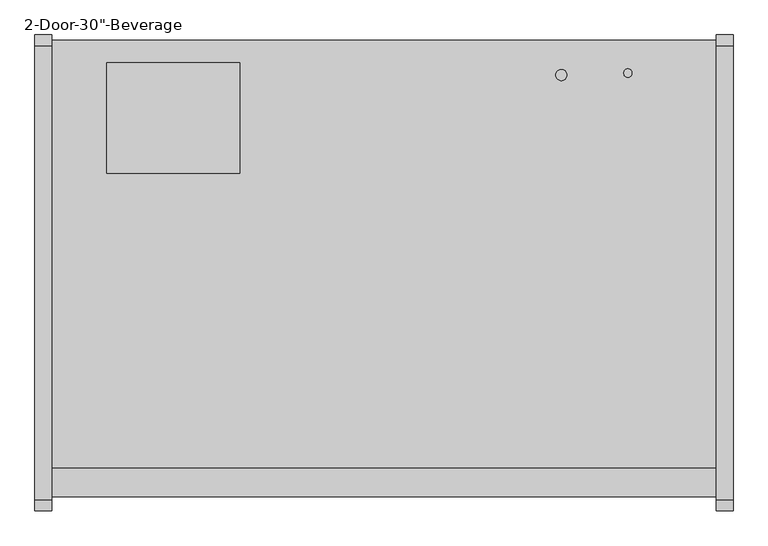
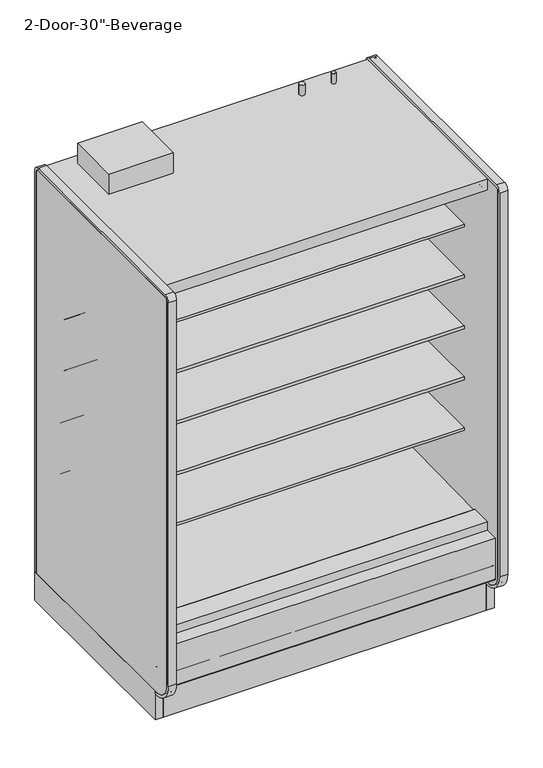
"""IFC4 building model written with IfcOpenShell, lengths in millimetres: proxy geometry."""

from ifc_helpers import new_model, si_unit, point, frame, frame_2d, origin, origin_with_axes, place, context, project, spatial, polyline, circle_curve, trimmed, segment, composite_curve, outline, extrude, source, transform, mapped, element, save
from ifc_brep_helpers import plane_surface, cylinder_surface, revolved_surface, advanced_brep


def proxy_6d0cffc8(model_context):
    return source(origin(), model_context, "Body", "SolidModel", [
        extrude(outline(polyline([(-1318.106026, 207.2507391), (-1305.4059832, 196.5941379), (-1305.4059832, 0.4239338), (-1318.106026, 0.4239338), (-1318.106026, 207.2507391)])), frame((0.0, 0.0, 0.0), z_axis=(1.0, 0.0, 0.0), x_axis=(0.0, 1.0, 0.0)), (0.0, 0.0, 1.0), 1524.0),
        extrude(outline(polyline([(0.0, -76.2), (0.0, 0.0), (304.8, 0.0), (304.8, -76.2), (0.0, -76.2)])), frame((304.8, -1257.8018226, 2069.9402149), z_axis=(0.0, 0.07985742909739812, 0.9968062956351922), x_axis=(-1.0, 0.0, 0.0)), (0.0, 0.0, 1.0), 12.7),
        extrude(outline(composite_curve([segment(polyline([(-1139.652044, 788.1304004), (-1139.652044, 801.6241504), (-453.852044, 801.6241504), (-453.852044, 700.8188557), (-465.2157046, 700.5975577)]), True, "CONTINUOUS"), segment(trimmed(circle_curve(frame_2d((-465.7036503, 725.6535856)), 25.0607786), [point((-465.2157046, 700.5975577))], [point((-481.6109729, 706.2886764))], False, "CARTESIAN"), True, "CONTINUOUS"), segment(polyline([(-481.6109729, 706.2886764), (-519.8326735, 737.3719449)]), True, "CONTINUOUS"), segment(trimmed(circle_curve(frame_2d((-559.8971466, 688.1064601)), 63.5), [point((-519.8326735, 737.3719449))], [point((-553.0441372, 751.2355839))], True, "CARTESIAN"), True, "CONTINUOUS"), segment(polyline([(-553.0441372, 751.2355839), (-968.6518104, 783.846074), (-968.6518104, 788.1304004), (-1139.652044, 788.1304004)]), True, "CONTINUOUS")], self_intersect=False)), frame((0.0, 0.0, 0.0), z_axis=(1.0, 0.0, 0.0), x_axis=(0.0, 1.0, 0.0)), (0.0, 0.0, 1.0), 1524.0),
        extrude(outline(composite_curve([segment(polyline([(-1139.652044, 1042.1304004), (-1139.652044, 1055.6241504), (-453.852044, 1055.6241504), (-453.852044, 954.8188557), (-465.2157046, 954.5975577)]), True, "CONTINUOUS"), segment(trimmed(circle_curve(frame_2d((-465.7036503, 979.6535856)), 25.0607786), [point((-465.2157046, 954.5975577))], [point((-481.6109729, 960.2886764))], False, "CARTESIAN"), True, "CONTINUOUS"), segment(polyline([(-481.6109729, 960.2886764), (-519.8326735, 991.3719449)]), True, "CONTINUOUS"), segment(trimmed(circle_curve(frame_2d((-559.8971466, 942.1064601)), 63.5), [point((-519.8326735, 991.3719449))], [point((-553.0441372, 1005.2355839))], True, "CARTESIAN"), True, "CONTINUOUS"), segment(polyline([(-553.0441372, 1005.2355839), (-968.6518104, 1037.846074), (-968.6518104, 1042.1304004), (-1139.652044, 1042.1304004)]), True, "CONTINUOUS")], self_intersect=False)), frame((0.0, 0.0, 0.0), z_axis=(1.0, 0.0, 0.0), x_axis=(0.0, 1.0, 0.0)), (0.0, 0.0, 1.0), 1524.0),
        extrude(outline(composite_curve([segment(polyline([(-1139.652044, 1296.1304004), (-1139.652044, 1309.6241504), (-453.852044, 1309.6241504), (-453.852044, 1208.8188557), (-465.2157046, 1208.5975577)]), True, "CONTINUOUS"), segment(trimmed(circle_curve(frame_2d((-465.7036503, 1233.6535856)), 25.0607786), [point((-465.2157046, 1208.5975577))], [point((-481.6109729, 1214.2886764))], False, "CARTESIAN"), True, "CONTINUOUS"), segment(polyline([(-481.6109729, 1214.2886764), (-519.8326735, 1245.3719449)]), True, "CONTINUOUS"), segment(trimmed(circle_curve(frame_2d((-559.8971466, 1196.1064601)), 63.5), [point((-519.8326735, 1245.3719449))], [point((-553.0441372, 1259.2355839))], True, "CARTESIAN"), True, "CONTINUOUS"), segment(polyline([(-553.0441372, 1259.2355839), (-968.6518104, 1291.846074), (-968.6518104, 1296.1304004), (-1139.652044, 1296.1304004)]), True, "CONTINUOUS")], self_intersect=False)), frame((0.0, 0.0, 0.0), z_axis=(1.0, 0.0, 0.0), x_axis=(0.0, 1.0, 0.0)), (0.0, 0.0, 1.0), 1524.0),
        extrude(outline(composite_curve([segment(polyline([(-1139.652044, 1550.1304004), (-1139.652044, 1563.6241504), (-453.852044, 1563.6241504), (-453.852044, 1462.8188557), (-465.2157046, 1462.5975577)]), True, "CONTINUOUS"), segment(trimmed(circle_curve(frame_2d((-465.7036503, 1487.6535856)), 25.0607786), [point((-465.2157046, 1462.5975577))], [point((-481.6109729, 1468.2886764))], False, "CARTESIAN"), True, "CONTINUOUS"), segment(polyline([(-481.6109729, 1468.2886764), (-519.8326735, 1499.3719449)]), True, "CONTINUOUS"), segment(trimmed(circle_curve(frame_2d((-559.8971466, 1450.1064601)), 63.5), [point((-519.8326735, 1499.3719449))], [point((-553.0441372, 1513.2355839))], True, "CARTESIAN"), True, "CONTINUOUS"), segment(polyline([(-553.0441372, 1513.2355839), (-968.6518104, 1545.846074), (-968.6518104, 1550.1304004), (-1139.652044, 1550.1304004)]), True, "CONTINUOUS")], self_intersect=False)), frame((0.0, 0.0, 0.0), z_axis=(1.0, 0.0, 0.0), x_axis=(0.0, 1.0, 0.0)), (0.0, 0.0, 1.0), 1524.0),
        extrude(outline(composite_curve([segment(polyline([(-1179.8089716, 2076.7249354), (-1179.8089716, 2078.925392), (-1258.0451873, 2084.3962012), (-1258.0451873, 2075.9223079)]), True, "CONTINUOUS"), segment(trimmed(circle_curve(frame_2d((-1260.5851873, 2075.9223079)), 2.54), [point((-1258.0451873, 2075.9223079))], [point((-1260.5851873, 2073.3823079))], False, "CARTESIAN"), True, "CONTINUOUS"), segment(polyline([(-1260.5851873, 2073.3823079), (-1269.8053873, 2073.3823079)]), True, "CONTINUOUS"), segment(trimmed(circle_curve(frame_2d((-1269.8053873, 2075.9223079)), 2.54), [point((-1269.8053873, 2073.3823079))], [point((-1272.3453873, 2075.9223079))], False, "CARTESIAN"), True, "CONTINUOUS"), segment(polyline([(-1272.3453873, 2075.9223079), (-1272.3453873, 2092.9469554)]), True, "CONTINUOUS"), segment(trimmed(circle_curve(frame_2d((-1274.8853873, 2092.9469554)), 2.54), [point((-1272.3453873, 2092.9469554))], [point((-1274.8853873, 2095.4869554))], True, "CARTESIAN"), True, "CONTINUOUS"), segment(polyline([(-1274.8853873, 2095.4869554), (-1288.8553873, 2095.4869554)]), True, "CONTINUOUS"), segment(trimmed(circle_curve(frame_2d((-1288.8553873, 2098.0269554)), 2.54), [point((-1288.8553873, 2095.4869554))], [point((-1291.3953873, 2098.0269554))], False, "CARTESIAN"), True, "CONTINUOUS"), segment(polyline([(-1291.3953873, 2098.0269554), (-1291.3953873, 2102.7701079), (-402.3474764, 2102.7701079), (-402.3474764, 418.2554484), (-453.852044, 418.2554484), (-453.852044, 2076.7249354), (-1179.8089716, 2076.7249354)]), True, "CONTINUOUS")], self_intersect=False)), frame((0.0, 0.0, 0.0), z_axis=(1.0, 0.0, 0.0), x_axis=(0.0, 1.0, 0.0)), (0.0, 0.0, 1.0), 1524.0),
        advanced_brep(
        [(1524.0, -1318.106026, 204.9450868), (1524.0, -1318.106026, 0.0), (1524.0, -1156.1809832, 0.0), (1524.0, -1156.1809832, 130.5306), (1524.0, -1226.6745247, 130.5306), (1524.0, -1377.1737273, 256.8144254), (1524.0, -1377.1737273, 391.9982), (1524.0, -1326.8776974, 391.9982), (1524.0, -1326.8776974, 404.6728), (1524.0, -1393.9631273, 404.6728), (1524.0, -1393.9631273, 201.3982889), (1524.0, -1384.4389382, 195.8985595), (1524.0, -1339.6997646, 221.7199387), (0.0, -1318.106026, 204.9450868), (0.0, -1339.6997646, 221.7199387), (0.0, -1384.4389382, 195.8985595), (0.0, -1393.9631273, 201.3982889), (0.0, -1393.9631273, 404.6728), (0.0, -1326.8776974, 404.6728), (0.0, -1326.8776974, 391.9982), (0.0, -1377.1737273, 391.9982), (0.0, -1377.1737273, 256.8144254), (0.0, -1226.6745247, 130.5306), (0.0, -1156.1809832, 130.5306), (0.0, -1156.1809832, 0.0), (0.0, -1318.106026, 0.0), (677.9753763, -1301.1164467, 0.0), (677.9753763, -1203.5310315, 0.0), (363.1798722, -1203.5310315, 0.0), (363.1798722, -1301.1164467, 0.0), (677.9753763, -1301.1164467, 50.8), (677.9753763, -1203.5310315, 50.8), (363.1798722, -1203.5310315, 50.8), (363.1798722, -1301.1164467, 50.8)],
        [
            (0, 1),
            (1, 2),
            (2, 3),
            (3, 4),
            (4, 5),
            (5, 6),
            (6, 7),
            (7, 8),
            (8, 9),
            (9, 10),
            (10, 11, circle_curve(frame((1524.0, -1387.6131273, 201.3982889), z_axis=(1.0, 0.0, 0.0), x_axis=(0.0, 1.0, 0.0)), 6.35)),
            (11, 12),
            (12, 0),
            (13, 14),
            (14, 15),
            (15, 16, circle_curve(frame((0.0, -1387.6131273, 201.3982889), z_axis=(-1.0, 0.0, 0.0), x_axis=(0.0, 1.0, 0.0)), 6.35)),
            (16, 17),
            (17, 18),
            (18, 19),
            (19, 20),
            (20, 21),
            (21, 22),
            (22, 23),
            (23, 24),
            (24, 25),
            (25, 13),
            (0, 13),
            (25, 1),
            (24, 2),
            (26, 27),
            (27, 28),
            (28, 29),
            (29, 26),
            (23, 3),
            (22, 4),
            (21, 5),
            (20, 6),
            (19, 7),
            (18, 8),
            (17, 9),
            (16, 10),
            (15, 11),
            (14, 12),
            (26, 30),
            (30, 31),
            (31, 27),
            (28, 32),
            (32, 33),
            (33, 29),
            (31, 32),
            (30, 33),
        ],
        [
            plane_surface(frame((1524.0, -1318.106026, 0.0), z_axis=(1.0, 0.0, 0.0), x_axis=(0.0, 0.0, -1.0))),
            plane_surface(frame((0.0, -1318.106026, 0.0), z_axis=(-1.0, 0.0, 0.0), x_axis=(0.0, 0.0, 1.0))),
            plane_surface(frame((1524.0, -1318.106026, 204.9450868), z_axis=(0.0, -1.0, 0.0), x_axis=(-1.0, 0.0, 0.0))),
            plane_surface(frame((1524.0, -1318.106026, 0.0), z_axis=(0.0, 0.0, -1.0), x_axis=(-1.0, 0.0, 0.0))),
            plane_surface(frame((1524.0, -1156.1809832, 0.0), z_axis=(0.0, 1.0, 0.0), x_axis=(-1.0, 0.0, 0.0))),
            plane_surface(frame((1524.0, -1156.1809832, 130.5306), z_axis=(0.0, 0.0, 1.0), x_axis=(-1.0, 0.0, 0.0))),
            plane_surface(frame((1524.0, -1226.6745247, 130.5306), z_axis=(0.0, 0.6427876096877188, 0.7660444431179884), x_axis=(-1.0, 0.0, 0.0))),
            plane_surface(frame((1524.0, -1377.1737273, 256.8144254), z_axis=(0.0, 1.0, 0.0), x_axis=(-1.0, 0.0, 0.0))),
            plane_surface(frame((1524.0, -1377.1737273, 391.9982), z_axis=(0.0, 0.0, -1.0), x_axis=(-1.0, 0.0, 0.0))),
            plane_surface(frame((1524.0, -1326.8776974, 391.9982), z_axis=(0.0, 1.0, 0.0), x_axis=(-1.0, 0.0, 0.0))),
            plane_surface(frame((1524.0, -1326.8776974, 404.6728), z_axis=(0.0, 0.0, 1.0), x_axis=(-1.0, 0.0, 0.0))),
            plane_surface(frame((1524.0, -1393.9631273, 404.6728), z_axis=(0.0, -1.0, 0.0), x_axis=(-1.0, 0.0, 0.0))),
            cylinder_surface(frame((0.0, -1387.6131273, 201.3982889), z_axis=(1.0, 0.0, 0.0), x_axis=(0.0, 1.0, 0.0)), 6.35),
            plane_surface(frame((1524.0, -1384.4389382, 195.8985595), z_axis=(0.0, 0.4998723022013517, -0.8660991175910068), x_axis=(-1.0, 0.0, 0.0))),
            plane_surface(frame((1524.0, -1339.6997646, 221.7199387), z_axis=(0.0, -0.6134784338805639, -0.7897114733644501), x_axis=(-1.0, 0.0, 0.0))),
            plane_surface(frame((677.9753763, -1207.3278954, 0.0), z_axis=(-1.0, 0.0, 0.0), x_axis=(0.0, 1.0, 0.0))),
            plane_surface(frame((363.1798722, -1207.3278954, 0.0), z_axis=(1.0, 0.0, 0.0), x_axis=(0.0, -1.0, 0.0))),
            plane_surface(frame((677.9753763, -1203.5310315, 0.0), z_axis=(0.0, -1.0, 0.0), x_axis=(-1.0, 0.0, 0.0))),
            plane_surface(frame((677.9753763, -1203.5310315, 50.8), z_axis=(0.0, 0.0, -1.0), x_axis=(-1.0, 0.0, 0.0))),
            plane_surface(frame((677.9753763, -1301.1164467, 50.8), z_axis=(0.0, 1.0, 0.0), x_axis=(-1.0, 0.0, 0.0))),
        ],
        [
            (0, [[1, 2, 3, 4, 5, 6, 7, 8, 9, 10, 11, 12, 13]]),
            (1, [[14, 15, 16, 17, 18, 19, 20, 21, 22, 23, 24, 25, 26]]),
            (2, [[-1, 27, -26, 28]]),
            (3, [[-2, -28, -25, 29], [30, 31, 32, 33]]),
            (4, [[-3, -29, -24, 34]]),
            (5, [[-4, -34, -23, 35]]),
            (6, [[-5, -35, -22, 36]]),
            (7, [[-6, -36, -21, 37]]),
            (8, [[-7, -37, -20, 38]]),
            (9, [[-8, -38, -19, 39]]),
            (10, [[-9, -39, -18, 40]]),
            (11, [[-10, -40, -17, 41]]),
            (12, [[-11, -41, -16, 42]]),
            (13, [[-12, -42, -15, 43]]),
            (14, [[-13, -43, -14, -27]]),
            (15, [[44, 45, 46, -30]]),
            (16, [[47, 48, 49, -32]]),
            (17, [[-46, 50, -47, -31]]),
            (18, [[-45, 51, -48, -50]]),
            (19, [[-44, -33, -49, -51]]),
        ],
    ),
        extrude(outline(composite_curve([segment(trimmed(circle_curve(frame_2d((354.0125, 1447.8)), 12.7), [point((341.3125, 1447.8))], [point((366.7125, 1447.8))], False, "CARTESIAN"), True, "CONTINUOUS"), segment(trimmed(circle_curve(frame_2d((354.0125, 1447.8)), 12.7), [point((366.7125, 1447.8))], [point((341.3125, 1447.8))], False, "CARTESIAN"), True, "CONTINUOUS")], self_intersect=False)), frame((0.0, -399.8071273, 0.0), z_axis=(0.0, 1.0, 0.0), x_axis=(0.0, 0.0, 1.0)), (0.0, 0.0, 1.0), 50.8),
        extrude(outline(composite_curve([segment(trimmed(circle_curve(frame_2d((354.0125, 1397.0)), 9.525), [point((344.4875, 1397.0))], [point((363.5375, 1397.0))], False, "CARTESIAN"), True, "CONTINUOUS"), segment(trimmed(circle_curve(frame_2d((354.0125, 1397.0)), 9.525), [point((363.5375, 1397.0))], [point((344.4875, 1397.0))], False, "CARTESIAN"), True, "CONTINUOUS")], self_intersect=False)), frame((0.0, -399.8071273, 0.0), z_axis=(0.0, 1.0, 0.0), x_axis=(0.0, 0.0, 1.0)), (0.0, 0.0, 1.0), 50.8),
        advanced_brep(
        [(1524.0, -349.0071273, 130.5306), (1524.0, -349.0071273, 2159.0692079), (1524.0, -1328.759197, 2159.0692079), (1524.0, -1328.759197, 2102.7701079), (1524.0, -402.3474764, 2102.7701079), (1524.0, -402.3474764, 358.6596808), (1524.0, -549.3331942, 211.7249958), (1524.0, -991.2928374, 196.2548056), (1524.0, -1033.515372, 165.5831237), (1524.0, -1035.4689267, 165.5149041), (1524.0, -1048.6488905, 157.9054484), (1524.0, -1108.9738905, 157.9054484), (1524.0, -1117.2097949, 162.6604501), (1524.0, -1119.3438463, 162.5859274), (1524.0, -1169.010644, 190.034038), (1524.0, -1325.2901974, 342.4428), (1524.0, -1325.2901974, 391.9982), (1524.0, -1377.1737273, 391.9982), (1524.0, -1377.1737273, 256.8144254), (1524.0, -1226.6745247, 130.5306), (0.0, -349.0071273, 130.5306), (0.0, -1226.6745247, 130.5306), (0.0, -1377.1737273, 256.8144254), (0.0, -1377.1737273, 391.9982), (0.0, -1325.2901974, 391.9982), (0.0, -1325.2901974, 342.4428), (0.0, -1169.010644, 190.034038), (0.0, -1119.3438463, 162.5859274), (0.0, -1117.2097949, 162.6604501), (0.0, -1108.9738905, 157.9054484), (0.0, -1048.6488905, 157.9054484), (0.0, -1035.4689267, 165.5149041), (0.0, -1033.515372, 165.5831237), (0.0, -991.2928374, 196.2548056), (0.0, -549.3331942, 211.7249958), (0.0, -402.3474764, 358.6596808), (0.0, -402.3474764, 2102.7701079), (0.0, -1328.759197, 2102.7701079), (0.0, -1328.759197, 2159.0692079), (0.0, -349.0071273, 2159.0692079), (1422.4, -349.0071273, 303.2125), (1422.4, -349.0071273, 404.8125), (1422.4, -399.8071273, 404.8125), (1422.4, -399.8071273, 303.2125)],
        [
            (0, 1),
            (1, 2),
            (2, 3),
            (3, 4),
            (4, 5),
            (5, 6, circle_curve(frame((1524.0, -554.6779329, 364.0573175), z_axis=(-1.0, 0.0, 0.0), x_axis=(0.0, 1.0, 0.0)), 152.4260557)),
            (6, 7),
            (7, 8),
            (8, 9),
            (9, 10),
            (10, 11),
            (11, 12),
            (12, 13),
            (13, 14),
            (14, 15, circle_curve(frame((1524.0, -1174.2931139, 340.9461144), z_axis=(-1.0, 0.0, 0.0), x_axis=(0.0, 1.0, 0.0)), 151.0045009)),
            (15, 16),
            (16, 17),
            (17, 18),
            (18, 19),
            (19, 0),
            (20, 21),
            (21, 22),
            (22, 23),
            (23, 24),
            (24, 25),
            (25, 26, circle_curve(frame((0.0, -1174.2931139, 340.9461144), z_axis=(1.0, 0.0, 0.0), x_axis=(0.0, 1.0, 0.0)), 151.0045009)),
            (26, 27),
            (27, 28),
            (28, 29),
            (29, 30),
            (30, 31),
            (31, 32),
            (32, 33),
            (33, 34),
            (34, 35, circle_curve(frame((0.0, -554.6779329, 364.0573175), z_axis=(1.0, 0.0, 0.0), x_axis=(0.0, 1.0, 0.0)), 152.4260557)),
            (35, 36),
            (36, 37),
            (37, 38),
            (38, 39),
            (39, 20),
            (0, 20),
            (39, 1),
            (40, 41, circle_curve(frame((1422.4, -349.0071273, 354.0125), z_axis=(0.0, -1.0, 0.0), x_axis=(0.0, 0.0, -1.0)), 50.8)),
            (41, 40, circle_curve(frame((1422.4, -349.0071273, 354.0125), z_axis=(0.0, -1.0, 0.0), x_axis=(0.0, 0.0, -1.0)), 50.8)),
            (38, 2),
            (37, 3),
            (36, 4),
            (6, 34),
            (33, 7),
            (32, 8),
            (31, 9),
            (30, 10),
            (29, 11),
            (28, 12),
            (27, 13),
            (26, 14),
            (25, 15),
            (24, 16),
            (23, 17),
            (22, 18),
            (21, 19),
            (35, 5),
            (42, 43, circle_curve(frame((1422.4, -399.8071273, 354.0125), z_axis=(0.0, 1.0, 0.0), x_axis=(0.0, 0.0, -1.0)), 50.8)),
            (43, 42, circle_curve(frame((1422.4, -399.8071273, 354.0125), z_axis=(0.0, 1.0, 0.0), x_axis=(0.0, 0.0, -1.0)), 50.8)),
            (42, 41),
            (40, 43),
        ],
        [
            plane_surface(frame((1524.0, -349.0071273, 2154.3067079), z_axis=(1.0, 0.0, 0.0), x_axis=(0.0, 0.0, 1.0))),
            plane_surface(frame((0.0, -349.0071273, 2154.3067079), z_axis=(-1.0, 0.0, 0.0), x_axis=(0.0, 0.0, -1.0))),
            plane_surface(frame((1524.0, -349.0071273, 130.5306), z_axis=(0.0, 1.0, 0.0), x_axis=(-1.0, 0.0, 0.0))),
            plane_surface(frame((1524.0, -349.0071273, 2159.0692079), z_axis=(0.0, 0.0, 1.0), x_axis=(-1.0, 0.0, 0.0))),
            plane_surface(frame((1524.0, -1328.759197, 2159.0692079), z_axis=(0.0, -1.0, 0.0), x_axis=(-1.0, 0.0, 0.0))),
            plane_surface(frame((1524.0, -1328.759197, 2102.7701079), z_axis=(0.0, 0.0, -1.0), x_axis=(-1.0, 0.0, 0.0))),
            plane_surface(frame((1524.0, -549.3331942, 211.7249958), z_axis=(0.0, -0.03498220179415916, 0.9993879354673203), x_axis=(-1.0, 0.0, 0.0))),
            plane_surface(frame((1524.0, -991.2928374, 196.2548056), z_axis=(0.0, -0.5877252382161511, 0.8090605937528836), x_axis=(-1.0, 0.0, 0.0))),
            plane_surface(frame((1524.0, -1033.515372, 165.5831237), z_axis=(0.0, -0.034899496717989933, 0.9993908270185549), x_axis=(-1.0, 0.0, 0.0))),
            plane_surface(frame((1524.0, -1035.4689267, 165.5149041), z_axis=(0.0, -0.5000000000128472, 0.8660254037770214), x_axis=(-1.0, 0.0, 0.0))),
            plane_surface(frame((1524.0, -1048.6488905, 157.9054484), z_axis=(0.0, 0.0, 1.0), x_axis=(-1.0, 0.0, 0.0))),
            plane_surface(frame((1524.0, -1108.9738905, 157.9054484), z_axis=(0.0, 0.49999999998692984, 0.8660254037919848), x_axis=(-1.0, 0.0, 0.0))),
            plane_surface(frame((1524.0, -1117.2097949, 162.6604501), z_axis=(0.0, -0.03489949671806632, 0.9993908270185522), x_axis=(-1.0, 0.0, 0.0))),
            plane_surface(frame((1524.0, -1119.3438463, 162.5859274), z_axis=(0.0, 0.483695152932422, 0.8752365389023021), x_axis=(-1.0, 0.0, 0.0))),
            revolved_surface(polyline([(0.0, -1023.2886129999999, 340.9461144), (1524.0, -1023.2886129999999, 340.9461144)]), (0.0, -1174.2931139, 340.9461144), (-1.0, 0.0, 0.0)),
            plane_surface(frame((1524.0, -1325.2901974, 342.4428), z_axis=(0.0, 1.0, 0.0), x_axis=(-1.0, 0.0, 0.0))),
            plane_surface(frame((1524.0, -1325.2901974, 391.9982), z_axis=(0.0, 0.0, 1.0), x_axis=(-1.0, 0.0, 0.0))),
            plane_surface(frame((1524.0, -1377.1737273, 391.9982), z_axis=(0.0, -1.0, 0.0), x_axis=(-1.0, 0.0, 0.0))),
            plane_surface(frame((1524.0, -1377.1737273, 256.8144254), z_axis=(0.0, -0.6427876096877191, -0.7660444431179881), x_axis=(-1.0, 0.0, 0.0))),
            plane_surface(frame((1524.0, -1226.6745247, 130.5306), z_axis=(0.0, 0.0, -1.0), x_axis=(-1.0, 0.0, 0.0))),
            plane_surface(frame((1524.0, -402.3474764, 2102.7701079), z_axis=(0.0, -1.0, 0.0), x_axis=(-1.0, 0.0, 0.0))),
            revolved_surface(polyline([(0.0, -402.25187719999997, 364.0573175), (1524.0, -402.25187719999997, 364.0573175)]), (0.0, -554.6779329, 364.0573175), (-1.0, 0.0, 0.0)),
            plane_surface(frame((1422.4, -399.8071273, 303.2125), z_axis=(0.0, 1.0, 0.0), x_axis=(1.0, 0.0, 0.0))),
            revolved_surface(polyline([(1422.4, -349.0071273, 303.2125), (1422.4, -399.8071273, 303.2125)]), (1422.4, -399.8071273, 354.0125), (0.0, 1.0, 0.0)),
        ],
        [
            (0, [[1, 2, 3, 4, 5, 6, 7, 8, 9, 10, 11, 12, 13, 14, 15, 16, 17, 18, 19, 20]]),
            (1, [[21, 22, 23, 24, 25, 26, 27, 28, 29, 30, 31, 32, 33, 34, 35, 36, 37, 38, 39, 40]]),
            (2, [[-1, 41, -40, 42], [43, 44]]),
            (3, [[-2, -42, -39, 45]]),
            (4, [[-3, -45, -38, 46]]),
            (5, [[-4, -46, -37, 47]]),
            (6, [[-7, 48, -34, 49]]),
            (7, [[-8, -49, -33, 50]]),
            (8, [[-9, -50, -32, 51]]),
            (9, [[-10, -51, -31, 52]]),
            (10, [[-11, -52, -30, 53]]),
            (11, [[-12, -53, -29, 54]]),
            (12, [[-13, -54, -28, 55]]),
            (13, [[-14, -55, -27, 56]]),
            (14, [[-15, -56, -26, 57]]),
            (15, [[-16, -57, -25, 58]]),
            (16, [[-17, -58, -24, 59]]),
            (17, [[-18, -59, -23, 60]]),
            (18, [[-19, -60, -22, 61]]),
            (19, [[-20, -61, -21, -41]]),
            (20, [[-5, -47, -36, 62]]),
            (21, [[-6, -62, -35, -48]]),
            (22, [[63, 64]]),
            (23, [[-63, 65, -43, 66]]),
            (23, [[-64, -66, -44, -65]]),
        ],
    ),
        advanced_brep(
        [(1524.0, -349.0071273, 0.0), (1524.0, -349.0071273, 130.5306), (1524.0, -1156.1809832, 130.5306), (1524.0, -1156.1809832, 0.0), (1524.0, -1108.6576273, 0.0), (1524.0, -1108.6576273, 74.8810382), (1524.0, -394.2191273, 74.8810382), (1524.0, -394.2191273, 0.0), (0.0, -349.0071273, 0.0), (0.0, -394.2191273, 0.0), (0.0, -394.2191273, 74.8810382), (0.0, -1108.6576273, 74.8810382), (0.0, -1108.6576273, 0.0), (0.0, -1156.1809832, 0.0), (0.0, -1156.1809832, 130.5306), (0.0, -349.0071273, 130.5306), (725.9092567, -1108.6576273, 74.8810382), (725.9092567, -1108.6576273, 127.0), (798.0907433, -1108.6576273, 127.0), (798.0907433, -1108.6576273, 74.8810382), (896.0570331, -1108.6576273, 74.8810382), (896.0570331, -1108.6576273, 127.0), (974.0179669, -1108.6576273, 127.0), (974.0179669, -1108.6576273, 74.8810382)],
        [
            (0, 1),
            (1, 2),
            (2, 3),
            (3, 4),
            (4, 5),
            (5, 6),
            (6, 7),
            (7, 0),
            (8, 9),
            (9, 10),
            (10, 11),
            (11, 12),
            (12, 13),
            (13, 14),
            (14, 15),
            (15, 8),
            (0, 8),
            (15, 1),
            (4, 12),
            (11, 16),
            (16, 17),
            (17, 18),
            (18, 19),
            (19, 20),
            (20, 21),
            (21, 22),
            (22, 23),
            (23, 5),
            (23, 20, circle_curve(frame((935.0375, -1076.0821273, 74.8810382), z_axis=(0.0, 0.0, 1.0), x_axis=(1.0, 0.0, 0.0)), 50.8)),
            (19, 16, circle_curve(frame((762.0, -1072.9071273, 74.8810382), z_axis=(0.0, 0.0, 1.0), x_axis=(1.0, 0.0, 0.0)), 50.8)),
            (10, 6),
            (9, 7),
            (17, 18, circle_curve(frame((762.0, -1072.9071273, 127.0), z_axis=(0.0, 0.0, -1.0), x_axis=(1.0, 0.0, 0.0)), 50.8)),
            (21, 22, circle_curve(frame((935.0375, -1076.0821273, 127.0), z_axis=(0.0, 0.0, -1.0), x_axis=(1.0, 0.0, 0.0)), 50.8)),
            (14, 2),
            (13, 3),
        ],
        [
            plane_surface(frame((1524.0, -349.0071273, 2438.4), z_axis=(1.0, 0.0, 0.0), x_axis=(0.0, 0.0, 1.0))),
            plane_surface(frame((0.0, -349.0071273, 2438.4), z_axis=(-1.0, 0.0, 0.0), x_axis=(0.0, 0.0, -1.0))),
            plane_surface(frame((1524.0, -349.0071273, 0.0), z_axis=(0.0, 1.0, 0.0), x_axis=(-1.0, 0.0, 0.0))),
            plane_surface(frame((1524.0, -1108.6576273, 0.0), z_axis=(0.0, 1.0, 0.0), x_axis=(-1.0, 0.0, 0.0))),
            plane_surface(frame((1524.0, -1108.6576273, 74.8810382), z_axis=(0.0, 0.0, -1.0), x_axis=(-1.0, 0.0, 0.0))),
            plane_surface(frame((1524.0, -394.2191273, 74.8810382), z_axis=(0.0, -1.0, 0.0), x_axis=(-1.0, 0.0, 0.0))),
            plane_surface(frame((1524.0, -394.2191273, 0.0), z_axis=(0.0, 0.0, -1.0), x_axis=(-1.0, 0.0, 0.0))),
            plane_surface(frame((798.0907433, -1108.6576273, 127.0), z_axis=(0.0, 0.0, -1.0), x_axis=(1.0, 0.0, 0.0))),
            revolved_surface(polyline([(812.8, -1072.9071273, 127.0), (812.8, -1072.9071273, 74.8810382)]), (762.0, -1072.9071273, 0.0), (0.0, 0.0, 1.0)),
            plane_surface(frame((974.0179669, -1108.6576273, 127.0), z_axis=(0.0, 0.0, -1.0), x_axis=(1.0, 0.0, 0.0))),
            revolved_surface(polyline([(985.8375, -1076.0821273, 127.0), (985.8375, -1076.0821273, 74.8810382)]), (935.0375, -1076.0821273, 0.0), (0.0, 0.0, 1.0)),
            plane_surface(frame((1524.0, -349.0071273, 130.5306), z_axis=(0.0, 0.0, 1.0), x_axis=(-1.0, 0.0, 0.0))),
            plane_surface(frame((1524.0, -1156.1809832, 130.5306), z_axis=(0.0, -1.0, 0.0), x_axis=(-1.0, 0.0, 0.0))),
            plane_surface(frame((1524.0, -1156.1809832, 0.0), z_axis=(0.0, 0.0, -1.0), x_axis=(-1.0, 0.0, 0.0))),
        ],
        [
            (0, [[1, 2, 3, 4, 5, 6, 7, 8]]),
            (1, [[9, 10, 11, 12, 13, 14, 15, 16]]),
            (2, [[-1, 17, -16, 18]]),
            (3, [[-5, 19, -12, 20, 21, 22, 23, 24, 25, 26, 27, 28]]),
            (4, [[-6, -28, 29, -24, 30, -20, -11, 31]]),
            (5, [[-7, -31, -10, 32]]),
            (6, [[-8, -32, -9, -17]]),
            (7, [[33, -22]]),
            (8, [[-33, -21, -30, -23]]),
            (9, [[34, -26]]),
            (10, [[-34, -25, -29, -27]]),
            (11, [[-2, -18, -15, 35]]),
            (12, [[-3, -35, -14, 36]]),
            (13, [[-19, -4, -36, -13]]),
        ],
    ),
        extrude(outline(composite_curve([segment(polyline([(-1139.652044, 1803.3473276), (-1139.652044, 1816.8410776), (-453.852044, 1816.8410776), (-453.852044, 1716.035783), (-465.2157046, 1715.814485)]), True, "CONTINUOUS"), segment(trimmed(circle_curve(frame_2d((-465.7036503, 1740.8705128)), 25.0607786), [point((-465.2157046, 1715.814485))], [point((-481.6109729, 1721.5056036))], False, "CARTESIAN"), True, "CONTINUOUS"), segment(polyline([(-481.6109729, 1721.5056036), (-519.8326735, 1752.5888722)]), True, "CONTINUOUS"), segment(trimmed(circle_curve(frame_2d((-559.8971466, 1703.3233874)), 63.5), [point((-519.8326735, 1752.5888722))], [point((-553.0441372, 1766.4525111))], True, "CARTESIAN"), True, "CONTINUOUS"), segment(polyline([(-553.0441372, 1766.4525111), (-968.6518104, 1799.0630012), (-968.6518104, 1803.3473276), (-1139.652044, 1803.3473276)]), True, "CONTINUOUS")], self_intersect=False)), frame((0.0, 0.0, 0.0), z_axis=(1.0, 0.0, 0.0), x_axis=(0.0, 1.0, 0.0)), (0.0, 0.0, 1.0), 1524.0),
        extrude(outline(polyline([(431.8, -399.8071273), (431.8, -653.8071273), (127.0, -653.8071273), (127.0, -399.8071273), (431.8, -399.8071273)])), frame((0.0, 0.0, 2159.6880358), z_axis=(0.0, 0.0, 1.0), x_axis=(1.0, 0.0, 0.0)), (0.0, 0.0, 1.0), 100.8085772),
        extrude(outline(composite_curve([segment(polyline([(-453.852044, 452.2592331), (-453.852044, 418.2554484), (-402.3474764, 418.2554484), (-402.3474764, 358.6596808)]), True, "CONTINUOUS"), segment(trimmed(circle_curve(frame_2d((-554.6779329, 364.0573175)), 152.4260557), [point((-402.3474764, 358.6596808))], [point((-549.3331942, 211.7249958))], False, "CARTESIAN"), True, "CONTINUOUS"), segment(polyline([(-549.3331942, 211.7249958), (-991.2928374, 196.2548056), (-1033.515372, 165.5831237), (-1035.4689267, 165.5149041), (-1048.6488905, 157.9054484), (-1108.9738905, 157.9054484), (-1117.2097949, 162.6604501), (-1119.3438463, 162.5859274), (-1169.010644, 190.034038)]), True, "CONTINUOUS"), segment(trimmed(circle_curve(frame_2d((-1174.2931139, 340.9461144)), 151.0045009), [point((-1169.010644, 190.034038))], [point((-1325.2901974, 342.4428))], False, "CARTESIAN"), True, "CONTINUOUS"), segment(polyline([(-1325.2901974, 342.4428), (-1325.2901974, 391.9982), (-1326.8776974, 391.9982), (-1326.8776974, 447.5353), (-1227.4661273, 447.5353)]), True, "CONTINUOUS"), segment(trimmed(circle_curve(frame_2d((-1227.4661273, 445.4779)), 2.0574), [point((-1227.4661273, 447.5353))], [point((-1225.4087273, 445.4779))], False, "CARTESIAN"), True, "CONTINUOUS"), segment(polyline([(-1225.4087273, 445.4779), (-1225.4087273, 438.3756667), (-453.852044, 452.2592331)]), True, "CONTINUOUS")], self_intersect=False)), frame((0.0, 0.0, 0.0), z_axis=(1.0, 0.0, 0.0), x_axis=(0.0, 1.0, 0.0)), (0.0, 0.0, 1.0), 1524.0),
        extrude(outline(composite_curve([segment(trimmed(circle_curve(frame_2d((1320.8, -423.7684604)), 9.525), [point((1311.275, -423.7684604))], [point((1330.325, -423.7684604))], False, "CARTESIAN"), True, "CONTINUOUS"), segment(trimmed(circle_curve(frame_2d((1320.8, -423.7684604)), 9.525), [point((1330.325, -423.7684604))], [point((1311.275, -423.7684604))], False, "CARTESIAN"), True, "CONTINUOUS")], self_intersect=False)), frame((0.0, 0.0, 2160.6567079), z_axis=(0.0, 0.0, 1.0), x_axis=(1.0, 0.0, 0.0)), (0.0, 0.0, 1.0), 50.8),
        extrude(outline(composite_curve([segment(trimmed(circle_curve(frame_2d((1168.4, -428.3821273)), 12.7), [point((1155.7, -428.3821273))], [point((1181.1, -428.3821273))], False, "CARTESIAN"), True, "CONTINUOUS"), segment(trimmed(circle_curve(frame_2d((1168.4, -428.3821273)), 12.7), [point((1181.1, -428.3821273))], [point((1155.7, -428.3821273))], False, "CARTESIAN"), True, "CONTINUOUS")], self_intersect=False)), frame((0.0, 0.0, 2160.6567079), z_axis=(0.0, 0.0, 1.0), x_axis=(1.0, 0.0, 0.0)), (0.0, 0.0, 1.0), 50.8),
        extrude(outline(composite_curve([segment(trimmed(circle_curve(frame_2d((-1325.3196273, 232.1306)), 88.9), [point((-1414.2196273, 232.1306))], [point((-1325.3196273, 143.2306))], True, "CARTESIAN"), True, "CONTINUOUS"), segment(polyline([(-1325.3196273, 143.2306), (-1318.106026, 143.2306), (-1318.106026, 130.7870064)]), True, "CONTINUOUS"), segment(trimmed(circle_curve(frame_2d((-1325.3196273, 232.1306)), 101.6), [point((-1318.106026, 130.7870064))], [point((-1426.9196273, 232.1306))], False, "CARTESIAN"), True, "CONTINUOUS"), segment(polyline([(-1426.9196273, 232.1306), (-1426.9196273, 2146.3692079)]), True, "CONTINUOUS"), segment(trimmed(circle_curve(frame_2d((-1401.5196273, 2146.3692079)), 25.4), [point((-1426.9196273, 2146.3692079))], [point((-1401.5196273, 2171.7692079))], False, "CARTESIAN"), True, "CONTINUOUS"), segment(polyline([(-1401.5196273, 2171.7692079), (-361.7071273, 2171.7692079)]), True, "CONTINUOUS"), segment(trimmed(circle_curve(frame_2d((-361.7071273, 2146.3692079)), 25.4), [point((-361.7071273, 2171.7692079))], [point((-336.3071273, 2146.3692079))], False, "CARTESIAN"), True, "CONTINUOUS"), segment(polyline([(-336.3071273, 2146.3692079), (-336.3071273, 143.2306), (-349.0071273, 143.2306), (-349.0071273, 2146.3692079)]), True, "CONTINUOUS"), segment(trimmed(circle_curve(frame_2d((-361.7071273, 2146.3692079)), 12.7), [point((-349.0071273, 2146.3692079))], [point((-361.7071273, 2159.0692079))], True, "CARTESIAN"), True, "CONTINUOUS"), segment(polyline([(-361.7071273, 2159.0692079), (-1401.5196273, 2159.0692079)]), True, "CONTINUOUS"), segment(trimmed(circle_curve(frame_2d((-1401.5196273, 2146.3692079)), 12.7), [point((-1401.5196273, 2159.0692079))], [point((-1414.2196273, 2146.3692079))], True, "CARTESIAN"), True, "CONTINUOUS"), segment(polyline([(-1414.2196273, 2146.3692079), (-1414.2196273, 232.1306)]), True, "CONTINUOUS")], self_intersect=False)), frame((1524.0, 0.0, 0.0), z_axis=(1.0, 0.0, 0.0), x_axis=(0.0, 1.0, 0.0)), (0.0, 0.0, 1.0), 38.1),
        extrude(outline(polyline([(1562.1, -336.3071273), (1562.1, -1318.106026), (1524.0, -1318.106026), (1524.0, -336.3071273), (1562.1, -336.3071273)])), origin_with_axes(), (0.0, 0.0, 1.0), 143.2306),
        extrude(outline(composite_curve([segment(polyline([(-1414.2196273, 232.1306), (-1414.2196273, 2146.3692079)]), True, "CONTINUOUS"), segment(trimmed(circle_curve(frame_2d((-1401.5196273, 2146.3692079)), 12.7), [point((-1414.2196273, 2146.3692079))], [point((-1401.5196273, 2159.0692079))], False, "CARTESIAN"), True, "CONTINUOUS"), segment(polyline([(-1401.5196273, 2159.0692079), (-361.7071273, 2159.0692079)]), True, "CONTINUOUS"), segment(trimmed(circle_curve(frame_2d((-361.7071273, 2146.3692079)), 12.7), [point((-361.7071273, 2159.0692079))], [point((-349.0071273, 2146.3692079))], False, "CARTESIAN"), True, "CONTINUOUS"), segment(polyline([(-349.0071273, 2146.3692079), (-349.0071273, 143.2306), (-1325.3196273, 143.2306)]), True, "CONTINUOUS"), segment(trimmed(circle_curve(frame_2d((-1325.3196273, 232.1306)), 88.9), [point((-1325.3196273, 143.2306))], [point((-1414.2196273, 232.1306))], False, "CARTESIAN"), True, "CONTINUOUS")], self_intersect=False)), frame((1524.0, 0.0, 0.0), z_axis=(1.0, 0.0, 0.0), x_axis=(0.0, 1.0, 0.0)), (0.0, 0.0, 1.0), 38.1),
        extrude(outline(composite_curve([segment(trimmed(circle_curve(frame_2d((-1325.3196273, 232.1306)), 88.9), [point((-1414.2196273, 232.1306))], [point((-1325.3196273, 143.2306))], True, "CARTESIAN"), True, "CONTINUOUS"), segment(polyline([(-1325.3196273, 143.2306), (-1318.106026, 143.2306), (-1318.106026, 130.7870064)]), True, "CONTINUOUS"), segment(trimmed(circle_curve(frame_2d((-1325.3196273, 232.1306)), 101.6), [point((-1318.106026, 130.7870064))], [point((-1426.9196273, 232.1306))], False, "CARTESIAN"), True, "CONTINUOUS"), segment(polyline([(-1426.9196273, 232.1306), (-1426.9196273, 2146.3692079)]), True, "CONTINUOUS"), segment(trimmed(circle_curve(frame_2d((-1401.5196273, 2146.3692079)), 25.4), [point((-1426.9196273, 2146.3692079))], [point((-1401.5196273, 2171.7692079))], False, "CARTESIAN"), True, "CONTINUOUS"), segment(polyline([(-1401.5196273, 2171.7692079), (-361.7071273, 2171.7692079)]), True, "CONTINUOUS"), segment(trimmed(circle_curve(frame_2d((-361.7071273, 2146.3692079)), 25.4), [point((-361.7071273, 2171.7692079))], [point((-336.3071273, 2146.3692079))], False, "CARTESIAN"), True, "CONTINUOUS"), segment(polyline([(-336.3071273, 2146.3692079), (-336.3071273, 143.2306), (-349.0071273, 143.2306), (-349.0071273, 2146.3692079)]), True, "CONTINUOUS"), segment(trimmed(circle_curve(frame_2d((-361.7071273, 2146.3692079)), 12.7), [point((-349.0071273, 2146.3692079))], [point((-361.7071273, 2159.0692079))], True, "CARTESIAN"), True, "CONTINUOUS"), segment(polyline([(-361.7071273, 2159.0692079), (-1401.5196273, 2159.0692079)]), True, "CONTINUOUS"), segment(trimmed(circle_curve(frame_2d((-1401.5196273, 2146.3692079)), 12.7), [point((-1401.5196273, 2159.0692079))], [point((-1414.2196273, 2146.3692079))], True, "CARTESIAN"), True, "CONTINUOUS"), segment(polyline([(-1414.2196273, 2146.3692079), (-1414.2196273, 232.1306)]), True, "CONTINUOUS")], self_intersect=False)), frame((-38.1, 0.0, 0.0), z_axis=(1.0, 0.0, 0.0), x_axis=(0.0, 1.0, 0.0)), (0.0, 0.0, 1.0), 38.1),
        extrude(outline(polyline([(673.1, -1207.3278954), (673.1, -1296.2278954), (368.3, -1296.2278954), (368.3, -1207.3278954), (673.1, -1207.3278954)])), frame((0.0, 0.0, 44.45), z_axis=(0.0, 0.0, 1.0), x_axis=(1.0, 0.0, 0.0)), (0.0, 0.0, 1.0), 6.35),
        extrude(outline(polyline([(0.0, -336.3071273), (0.0, -1318.106026), (-38.1, -1318.106026), (-38.1, -336.3071273), (0.0, -336.3071273)])), origin_with_axes(), (0.0, 0.0, 1.0), 143.2306),
        extrude(outline(composite_curve([segment(trimmed(circle_curve(frame_2d((762.0, -1072.9071273)), 38.1), [point((723.9, -1072.9071273))], [point((800.1, -1072.9071273))], False, "CARTESIAN"), True, "CONTINUOUS"), segment(trimmed(circle_curve(frame_2d((762.0, -1072.9071273)), 38.1), [point((800.1, -1072.9071273))], [point((723.9, -1072.9071273))], False, "CARTESIAN"), True, "CONTINUOUS")], self_intersect=False)), frame((0.0, 0.0, 61.2666507), z_axis=(0.0, 0.0, 1.0), x_axis=(1.0, 0.0, 0.0)), (0.0, 0.0, 1.0), 65.7333493),
        extrude(outline(composite_curve([segment(trimmed(circle_curve(frame_2d((960.4375, -1076.0821273)), 12.7), [point((947.7375, -1076.0821273))], [point((973.1375, -1076.0821273))], False, "CARTESIAN"), True, "CONTINUOUS"), segment(trimmed(circle_curve(frame_2d((960.4375, -1076.0821273)), 12.7), [point((973.1375, -1076.0821273))], [point((947.7375, -1076.0821273))], False, "CARTESIAN"), True, "CONTINUOUS")], self_intersect=False)), frame((0.0, 0.0, 61.2666507), z_axis=(0.0, 0.0, 1.0), x_axis=(1.0, 0.0, 0.0)), (0.0, 0.0, 1.0), 65.7333493),
        extrude(outline(composite_curve([segment(trimmed(circle_curve(frame_2d((909.6375, -1076.0821273)), 9.525), [point((900.1125, -1076.0821273))], [point((919.1625, -1076.0821273))], False, "CARTESIAN"), True, "CONTINUOUS"), segment(trimmed(circle_curve(frame_2d((909.6375, -1076.0821273)), 9.525), [point((919.1625, -1076.0821273))], [point((900.1125, -1076.0821273))], False, "CARTESIAN"), True, "CONTINUOUS")], self_intersect=False)), frame((0.0, 0.0, 61.2666507), z_axis=(0.0, 0.0, 1.0), x_axis=(1.0, 0.0, 0.0)), (0.0, 0.0, 1.0), 65.7333493),
        extrude(outline(composite_curve([segment(polyline([(-1414.2196273, 232.1306), (-1414.2196273, 2146.3692079)]), True, "CONTINUOUS"), segment(trimmed(circle_curve(frame_2d((-1401.5196273, 2146.3692079)), 12.7), [point((-1414.2196273, 2146.3692079))], [point((-1401.5196273, 2159.0692079))], False, "CARTESIAN"), True, "CONTINUOUS"), segment(polyline([(-1401.5196273, 2159.0692079), (-361.7071273, 2159.0692079)]), True, "CONTINUOUS"), segment(trimmed(circle_curve(frame_2d((-361.7071273, 2146.3692079)), 12.7), [point((-361.7071273, 2159.0692079))], [point((-349.0071273, 2146.3692079))], False, "CARTESIAN"), True, "CONTINUOUS"), segment(polyline([(-349.0071273, 2146.3692079), (-349.0071273, 143.2306), (-1325.3196273, 143.2306)]), True, "CONTINUOUS"), segment(trimmed(circle_curve(frame_2d((-1325.3196273, 232.1306)), 88.9), [point((-1325.3196273, 143.2306))], [point((-1414.2196273, 232.1306))], False, "CARTESIAN"), True, "CONTINUOUS")], self_intersect=False)), frame((-38.1, 0.0, 0.0), z_axis=(1.0, 0.0, 0.0), x_axis=(0.0, 1.0, 0.0)), (0.0, 0.0, 1.0), 38.1),
    ])


if __name__ == "__main__":
    model = new_model("IFC4")
    model_context = context("Model", 3, world=origin())
    ifc_project = project(units=[si_unit("LENGTHUNIT", "METRE", prefix="MILLI")], contexts=[model_context])
    site = spatial("IfcSite", under=ifc_project)
    building = spatial("IfcBuilding", under=site)
    placement = place(None, origin())
    proxy_shape = proxy_6d0cffc8(model_context)
    element("IfcBuildingElementProxy", 1, Name="2-Door-30\"-Beverage", ObjectType="2-Door-30\"-Beverage", at=placement, inside=building, context=model_context, shape_type="MappedRepresentation", body=[
        mapped(proxy_shape, transform((0.0, 0.0, 0.0), x_axis=(1.0, 0.0, 0.0), y_axis=(0.0, 1.0, 0.0), z_axis=(0.0, 0.0, 1.0))),
    ])
    save(model, "model.ifc")
